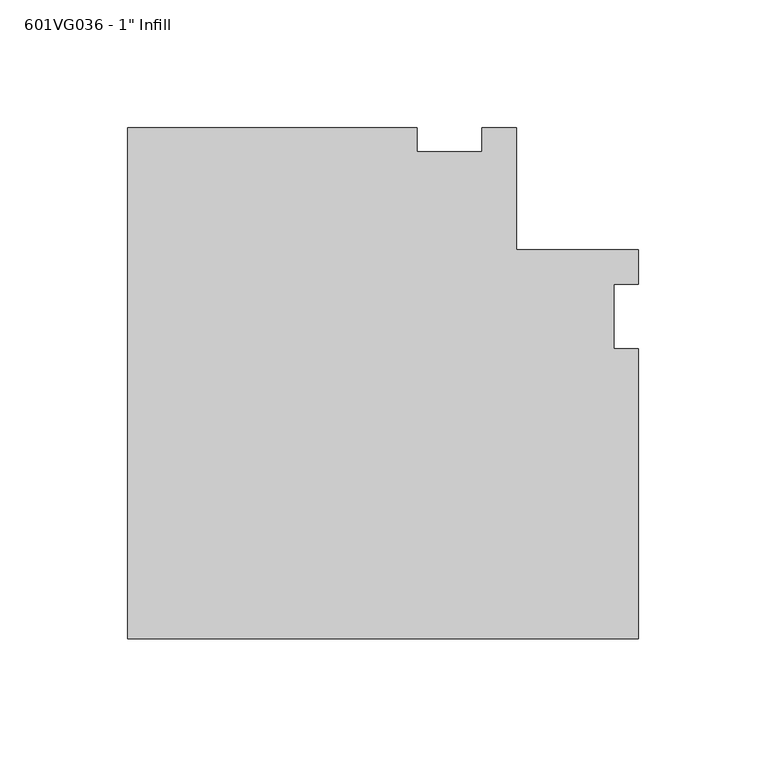
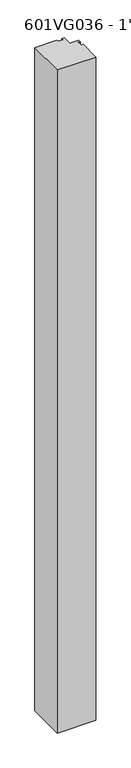
"""IFC4 building model written with IfcOpenShell, lengths in millimetres: proxy geometry."""

from ifc_helpers import new_model, si_unit, frame, origin, place, context, project, spatial, polyline, outline, extrude, source, transform, mapped, element, save


def proxy_803c1399(model_context):
    return source(origin(), model_context, "Body", "SweptSolid", [
        extrude(outline(polyline([(-126.20625, -126.20625), (-126.20625, 73.97115), (-12.7, 73.97115), (-12.7, 64.44615), (12.7, 64.44615), (12.7, 73.97115), (26.1919183, 73.97115), (26.1919183, 26.19375), (73.97115, 26.19375), (73.97115, 12.7), (64.44615, 12.7), (64.44615, -12.7), (73.97115, -12.7), (73.97115, -126.20625), (-126.20625, -126.20625)])), frame((0.0, 0.0, 12.7), z_axis=(0.0, 0.0, 1.0), x_axis=(1.0, 0.0, 0.0)), (0.0, 0.0, 1.0), 3644.9),
    ])


if __name__ == "__main__":
    model = new_model("IFC4")
    model_context = context("Model", 3, world=origin())
    ifc_project = project(units=[si_unit("LENGTHUNIT", "METRE", prefix="MILLI")], contexts=[model_context])
    site = spatial("IfcSite", under=ifc_project)
    building = spatial("IfcBuilding", under=site)
    placement = place(None, origin())
    proxy_shape = proxy_803c1399(model_context)
    element("IfcBuildingElementProxy", 1, Name="601VG036 - 1\" Infill", ObjectType="601VG036 - 1\" Infill", at=placement, inside=building, context=model_context, shape_type="MappedRepresentation", body=[
        mapped(proxy_shape, transform((0.0, 0.0, 0.0), x_axis=(1.0, 0.0, 0.0), y_axis=(0.0, 1.0, 0.0), z_axis=(0.0, 0.0, 1.0))),
    ])
    save(model, "model.ifc")
